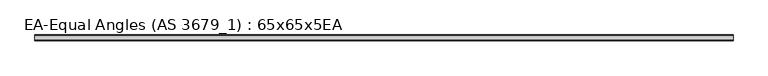
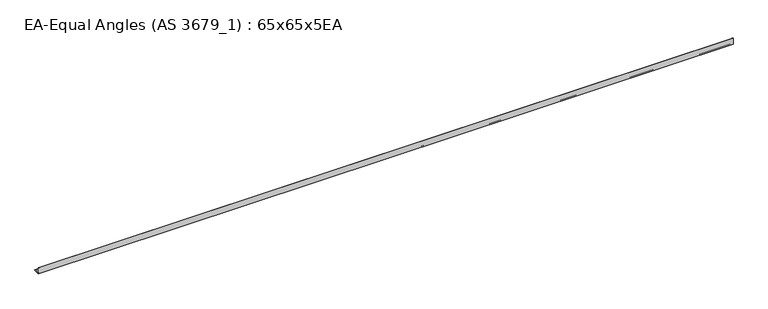
"""IFC4 building model written with IfcOpenShell, lengths in millimetres: beam geometry, EA-Equal Angles (AS 3679_1) : 65x65x5EA."""

import ifcopenshell
import ifcopenshell.guid

model = None  # the IFC model being written
_history = None  # IfcOwnerHistory: only IFC2X3 demands one
_inside = {}  # id of a spatial element -> (the spatial element, [elements in it])
_under = {}  # id of a project, library or spatial element -> (it, [spatial elements below it])
_declared = {}  # id of a project -> (the project, [libraries it declares])
_typed = {}  # id of a type object -> (the type object, [elements of that type])
_made_of = {}  # id of a material, layer set ... -> (it, [elements and type objects made of it])


def new_model(schema):
    """Start an empty IFC model of exactly this schema.

    Asked for "IFC4X3", IfcOpenShell would pick the latest addendum, in which some entities
    have other attributes; the version numbers below select the first issue.
    IFC2X3 requires an IfcOwnerHistory on every rooted entity: one is made here for all.
    """
    global model, _history
    if schema == "IFC4X3":
        model = ifcopenshell.file(schema_version=(4, 3, 0, 0))
    else:
        model = ifcopenshell.file(schema=schema)
    _inside.clear()
    _under.clear()
    _declared.clear()
    _typed.clear()
    _made_of.clear()
    _history = None
    if model.schema == "IFC2X3":
        org = make("IfcOrganization", Name="unknown")
        user = make(
            "IfcPersonAndOrganization",
            ThePerson=make("IfcPerson", FamilyName="unknown"),
            TheOrganization=org,
        )
        app = make(
            "IfcApplication",
            ApplicationDeveloper=org,
            Version="unknown",
            ApplicationFullName="unknown",
            ApplicationIdentifier="unknown",
        )
        _history = make(
            "IfcOwnerHistory",
            OwningUser=user,
            OwningApplication=app,
            ChangeAction="ADDED",
            CreationDate=0,
        )
    return model


def make(cls, **values):
    """One entity of the class cls with the attributes given. An attribute that is None is left unset."""
    return model.create_entity(
        cls, **{name: value for name, value in values.items() if value is not None}
    )


def rooted(cls, **values):
    """An entity with a GlobalId (a new one), such as an element, a storey or a relation."""
    return make(cls, GlobalId=ifcopenshell.guid.new(), OwnerHistory=_history, **values)


def si_unit(unit_type, name, prefix=None):
    """IfcSIUnit, for example si_unit("LENGTHUNIT", "METRE", prefix="MILLI")."""
    return make("IfcSIUnit", UnitType=unit_type, Prefix=prefix, Name=name)


def assignment(units):
    """IfcUnitAssignment: the units of a project."""
    return None if units is None else make("IfcUnitAssignment", Units=units)


def point(xyz):
    """IfcCartesianPoint."""
    return None if xyz is None else make("IfcCartesianPoint", Coordinates=xyz)


def direction(xyz):
    """IfcDirection."""
    return None if xyz is None else make("IfcDirection", DirectionRatios=xyz)


def frame(location, z_axis=None, x_axis=None):
    """IfcAxis2Placement3D, a coordinate frame: its origin and axes. An axis left out is left unset."""
    return make(
        "IfcAxis2Placement3D",
        Location=point(location),
        Axis=direction(z_axis),
        RefDirection=direction(x_axis),
    )


def frame_2d(location, x_axis=None):
    """IfcAxis2Placement2D, a coordinate frame in the plane: its origin and x axis."""
    return make(
        "IfcAxis2Placement2D", Location=point(location), RefDirection=direction(x_axis)
    )


def origin():
    """The frame at (0, 0, 0) with its axes left unset."""
    return frame((0.0, 0.0, 0.0))


def place(relative_to, where):
    """IfcLocalPlacement: puts the frame where relative to a parent placement (None: the world)."""
    return make(
        "IfcLocalPlacement", PlacementRelTo=relative_to, RelativePlacement=where
    )


def context(
    kind, dimensions, precision=None, world=None, true_north=None, identifier=None
):
    """IfcGeometricRepresentationContext, for example the 3D "Model" context."""
    return make(
        "IfcGeometricRepresentationContext",
        ContextIdentifier=identifier,
        ContextType=kind,
        CoordinateSpaceDimension=dimensions,
        Precision=precision,
        WorldCoordinateSystem=world,
        TrueNorth=true_north,
    )


def project(units=None, contexts=None):
    """IfcProject with its units and contexts."""
    return rooted(
        "IfcProject",
        Name="project",
        RepresentationContexts=contexts,
        UnitsInContext=assignment(units),
    )


def spatial(cls, under=None, at=None, **own):
    """A site, building, storey or space (cls), placed at a placement, below another one or the project."""
    s = rooted(cls, ObjectPlacement=at, **own)
    if under is not None:
        _under.setdefault(under.id(), (under, []))[1].append(s)
    return s


def polyline(points):
    """IfcPolyline through the points."""
    return make("IfcPolyline", Points=[point(p) for p in points])


def circle_curve(where, radius):
    """IfcCircle in the frame where."""
    return make("IfcCircle", Position=where, Radius=radius)


def trimmed(basis, trim1, trim2, sense, master):
    """IfcTrimmedCurve: the piece of a basis curve between two trims."""
    return make(
        "IfcTrimmedCurve",
        BasisCurve=basis,
        Trim1=trim1,
        Trim2=trim2,
        SenseAgreement=sense,
        MasterRepresentation=master,
    )


def segment(curve, same_sense, transition):
    """IfcCompositeCurveSegment."""
    return make(
        "IfcCompositeCurveSegment",
        Transition=transition,
        SameSense=same_sense,
        ParentCurve=curve,
    )


def composite_curve(segments, self_intersect=None):
    """IfcCompositeCurve: segments joined end to end."""
    return make("IfcCompositeCurve", Segments=segments, SelfIntersect=self_intersect)


def outline(outer, holes=None, kind="AREA"):
    """IfcArbitraryClosedProfileDef: a profile drawn as a closed curve; with holes, ...WithVoids."""
    if holes is None:
        return make("IfcArbitraryClosedProfileDef", ProfileType=kind, OuterCurve=outer)
    return make(
        "IfcArbitraryProfileDefWithVoids",
        ProfileType=kind,
        OuterCurve=outer,
        InnerCurves=holes,
    )


def extrude(swept, where, along, depth):
    """IfcExtrudedAreaSolid: the profile swept, set in the frame where, extruded along a direction by depth."""
    return make(
        "IfcExtrudedAreaSolid",
        SweptArea=swept,
        Position=where,
        ExtrudedDirection=direction(along),
        Depth=depth,
    )


def shape(context_of_items, identifier, shape_type, items):
    """IfcShapeRepresentation: the items that make up one representation, for example the "Body"."""
    return make(
        "IfcShapeRepresentation",
        ContextOfItems=context_of_items,
        RepresentationIdentifier=identifier,
        RepresentationType=shape_type,
        Items=items,
    )


def source(mapping_origin, context_of_items, identifier, shape_type, items):
    """IfcRepresentationMap: a shape defined once, which mapped items show again and again."""
    return make(
        "IfcRepresentationMap",
        MappingOrigin=mapping_origin,
        MappedRepresentation=shape(context_of_items, identifier, shape_type, items),
    )


def transform(
    local_origin,
    x_axis=None,
    y_axis=None,
    z_axis=None,
    scale=None,
    scale2=None,
    scale3=None,
    uniform=True,
):
    """IfcCartesianTransformationOperator3D, or its non-uniform kind. x_axis, y_axis, z_axis: its Axis1, 2, 3."""
    if uniform:
        return make(
            "IfcCartesianTransformationOperator3D",
            Axis1=direction(x_axis),
            Axis2=direction(y_axis),
            LocalOrigin=point(local_origin),
            Scale=scale,
            Axis3=direction(z_axis),
        )
    return make(
        "IfcCartesianTransformationOperator3DnonUniform",
        Axis1=direction(x_axis),
        Axis2=direction(y_axis),
        LocalOrigin=point(local_origin),
        Scale=scale,
        Axis3=direction(z_axis),
        Scale2=scale2,
        Scale3=scale3,
    )


def mapped(mapping_source, mapping_target):
    """IfcMappedItem: shows the shape of a source again, moved by a transform."""
    return make(
        "IfcMappedItem", MappingSource=mapping_source, MappingTarget=mapping_target
    )


def made_of(thing, what):
    """Note that an element or type object is made of a material, layer set ...; save() writes the relation."""
    if what is not None:
        _made_of.setdefault(what.id(), (what, []))[1].append(thing)
    return thing


def element(
    cls,
    number,
    at=None,
    inside=None,
    cuts=None,
    type_object=None,
    material=None,
    context=None,
    identifier="Body",
    shape_type=None,
    held_by="IfcProductDefinitionShape",
    body=None,
    shapes=None,
    **own,
):
    """One element of the class cls, such as IfcWall. Its Tag is "e" and its number.

    at: its placement. inside: the storey or other place that contains it. cuts: it is an
    opening in that element (IfcRelVoidsElement). A single representation is given by context,
    identifier, shape_type and body (its items); several are given by shapes. held_by: the class
    of the entity that holds the representations. save() writes the other relations.
    """
    e = rooted(cls, Tag="e%d" % number, ObjectPlacement=at, **own)
    if body is not None:
        shapes = [shape(context, identifier, shape_type, body)]
    if shapes is not None:
        e.Representation = make(held_by, Representations=shapes)
    if inside is not None:
        _inside.setdefault(inside.id(), (inside, []))[1].append(e)
    if cuts is not None:
        rooted(
            "IfcRelVoidsElement", RelatingBuildingElement=cuts, RelatedOpeningElement=e
        )
    if type_object is not None:
        _typed.setdefault(type_object.id(), (type_object, []))[1].append(e)
    return made_of(e, material)


def aggregate(whole, parts):
    """IfcRelAggregates: a whole, such as a stair, and the parts it consists of."""
    return rooted("IfcRelAggregates", RelatingObject=whole, RelatedObjects=parts)


def save(model, path):
    """Write the relations noted so far, then the file.

    IfcRelAggregates (storeys below a building ...), IfcRelContainedInSpatialStructure (elements
    in a storey), IfcRelDefinesByType, IfcRelAssociatesMaterial and IfcRelDeclares: one each for
    every whole, place, type object, material and project.
    """
    for whole, parts in _under.values():
        aggregate(whole, parts)
    for where, things in _inside.values():
        rooted(
            "IfcRelContainedInSpatialStructure",
            RelatedElements=things,
            RelatingStructure=where,
        )
    for kind, things in _typed.values():
        rooted("IfcRelDefinesByType", RelatedObjects=things, RelatingType=kind)
    for what, things in _made_of.values():
        rooted("IfcRelAssociatesMaterial", RelatedObjects=things, RelatingMaterial=what)
    for by, libraries in _declared.values():
        rooted("IfcRelDeclares", RelatingContext=by, RelatedDefinitions=libraries)
    model.write(path)


def ea_equal_angles_as_3679_1_65x65x5ea_e84fadca(model_context):
    return source(origin(), model_context, "Body", "SweptSolid", [
        extrude(outline(composite_curve([segment(polyline([(-17.7, -17.7), (-17.7, 47.3), (-15.7, 47.3)]), True, "CONTINUOUS"), segment(trimmed(circle_curve(frame_2d((-15.7, 44.3)), 3.0), [point((-15.7, 47.3))], [point((-12.7, 44.3))], False, "CARTESIAN"), True, "CONTINUOUS"), segment(polyline([(-12.7, 44.3), (-12.7, -6.7)]), True, "CONTINUOUS"), segment(trimmed(circle_curve(frame_2d((-6.7, -6.7)), 6.0), [point((-12.7, -6.7))], [point((-6.7, -12.7))], True, "CARTESIAN"), True, "CONTINUOUS"), segment(polyline([(-6.7, -12.7), (44.3, -12.7)]), True, "CONTINUOUS"), segment(trimmed(circle_curve(frame_2d((44.3, -15.7)), 3.0), [point((44.3, -12.7))], [point((47.3, -15.7))], False, "CARTESIAN"), True, "CONTINUOUS"), segment(polyline([(47.3, -15.7), (47.3, -17.7), (-17.7, -17.7)]), True, "CONTINUOUS")], self_intersect=False)), frame((-3838.8, 0.0, 0.0), z_axis=(1.0, 0.0, 0.0), x_axis=(0.0, 1.0, 0.0)), (0.0, 0.0, 1.0), 7518.2),
    ])


if __name__ == "__main__":
    model = new_model("IFC4")
    model_context = context("Model", 3, world=origin())
    ifc_project = project(units=[si_unit("LENGTHUNIT", "METRE", prefix="MILLI")], contexts=[model_context])
    site = spatial("IfcSite", under=ifc_project)
    building = spatial("IfcBuilding", under=site)
    placement = place(None, origin())
    ea_equal_angles_as_3679_1_65x65x5ea_shape = ea_equal_angles_as_3679_1_65x65x5ea_e84fadca(model_context)
    element("IfcBeam", 1, ObjectType="EA-Equal Angles (AS 3679_1) : 65x65x5EA", at=placement, inside=building, context=model_context, shape_type="MappedRepresentation", body=[
        mapped(ea_equal_angles_as_3679_1_65x65x5ea_shape, transform((0.0, 0.0, 0.0), x_axis=(1.0, 0.0, 0.0), y_axis=(0.0, 1.0, 0.0), z_axis=(0.0, 0.0, 1.0))),
    ])
    save(model, "model.ifc")
